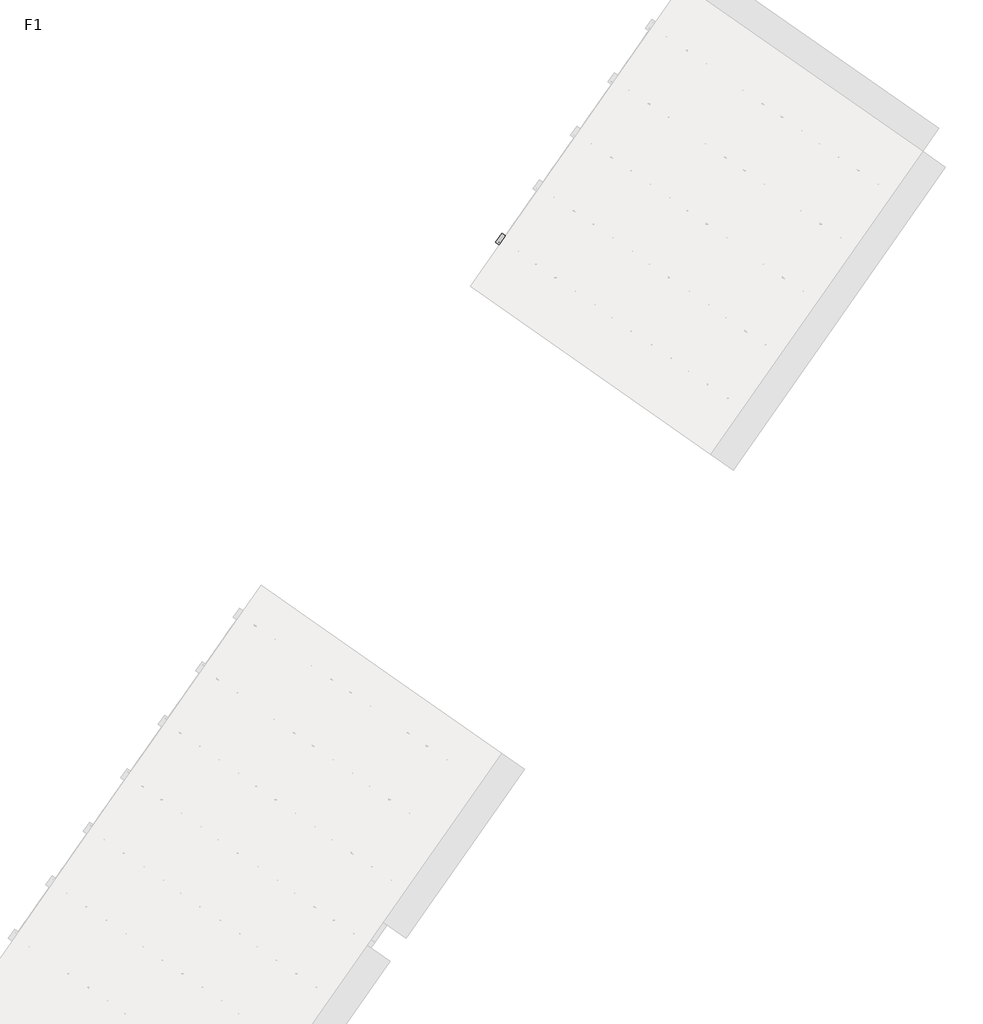
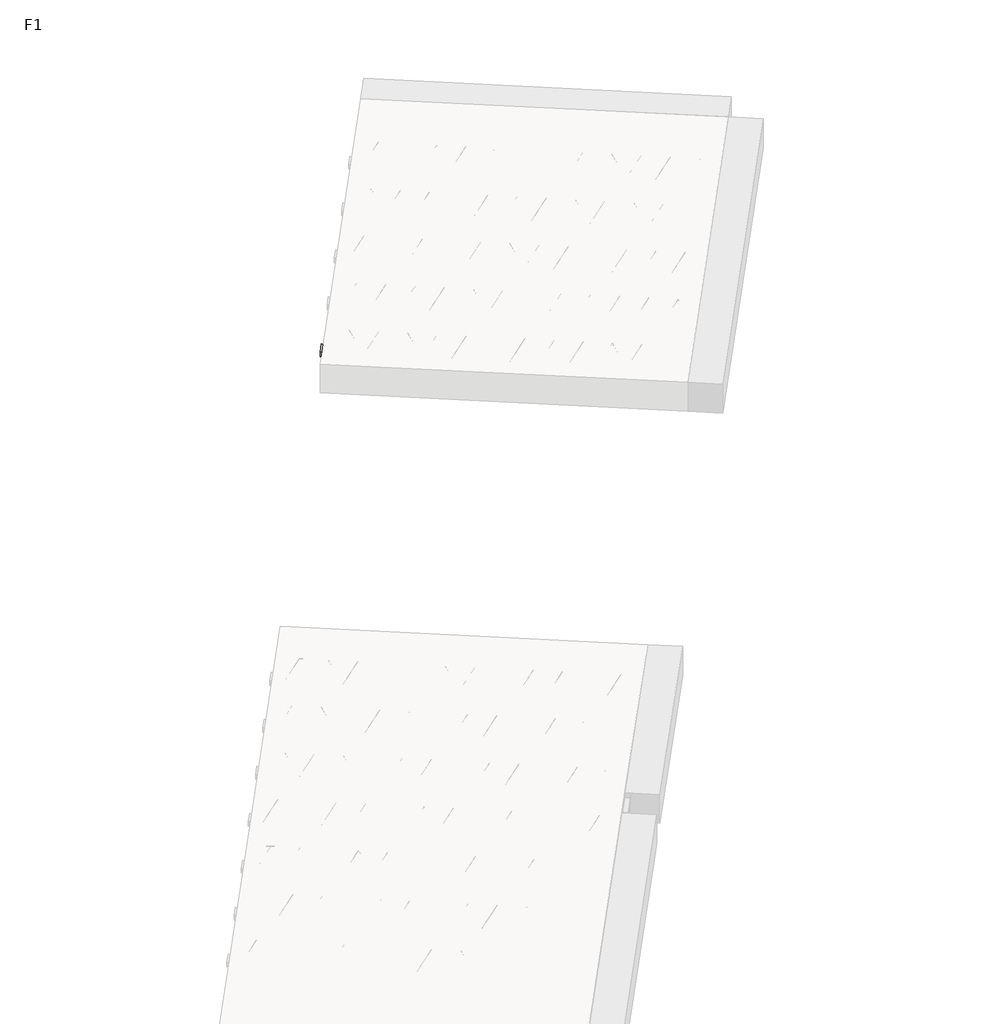
# One storey, part 18 of 30: 2 beams.
"""IFC4 building model written with IfcOpenShell, lengths in millimetres."""

from ifc_helpers import new_model, si_unit, point, frame, origin, origin_2d, place, context, project, spatial, polyline, circle_curve, trimmed, segment, composite_curve, outline, extrude, element, save

model = new_model("IFC4")

# Units and contexts
model_context = context("Model", 3, world=origin())
ifc_project = project(units=[si_unit("LENGTHUNIT", "METRE", prefix="MILLI")], contexts=[model_context])

# Site, building, storey
site = spatial("IfcSite", under=ifc_project)
building = spatial("IfcBuilding", under=site)
storey = spatial("IfcBuildingStorey", under=building, Name="F1", Elevation=99520.0)

# Beams
placement = place(None, origin())
element("IfcBeam", 1, at=placement, inside=storey, context=model_context, shape_type="SweptSolid", body=[
    extrude(outline(polyline([(10443.5572201, 4761.1476965), (10512.3863925, 4859.4459418), (13166.4390159, 3001.058288), (13097.6098435, 2902.7600427), (10443.5572201, 4761.1476965)])), frame((0.0, 0.0, 99720.0), z_axis=(0.0, 0.0, 1.0), x_axis=(1.0, 0.0, 0.0)), (0.0, 0.0, 1.0), 50.0),
])
element("IfcBeam", 2, at=placement, inside=storey, context=model_context, shape_type="SweptSolid", body=[
    extrude(outline(polyline([(7633.0326818, 747.3026796), (7701.8618542, 845.6009249), (10355.9144776, -1012.7867289), (10287.0853053, -1111.0849743), (7633.0326818, 747.3026796)])), frame((0.0, 0.0, 99720.0), z_axis=(0.0, 0.0, 1.0), x_axis=(1.0, 0.0, 0.0)), (0.0, 0.0, 1.0), 50.0),
    extrude(outline(composite_curve([segment(trimmed(circle_curve(origin_2d(), 2.5), [point((-2.5, 0.0))], [point((2.5, 0.0))], False, "CARTESIAN"), True, "CONTINUOUS"), segment(trimmed(circle_curve(origin_2d(), 2.5), [point((2.5, 0.0))], [point((-2.5, 0.0))], False, "CARTESIAN"), True, "CONTINUOUS")], self_intersect=False)), frame((10281.1914907, -1077.6594907, 99745.0), z_axis=(-0.8191520442696126, 0.5735764363787226, 0.0), x_axis=(0.5735764363787226, 0.8191520442696126, 0.0)), (0.0, 0.0, 1.0), 3192.0),
    extrude(outline(composite_curve([segment(trimmed(circle_curve(origin_2d(), 2.5), [point((-2.5, 0.0))], [point((2.5, 0.0))], False, "CARTESIAN"), True, "CONTINUOUS"), segment(trimmed(circle_curve(origin_2d(), 2.5), [point((2.5, 0.0))], [point((-2.5, 0.0))], False, "CARTESIAN"), True, "CONTINUOUS")], self_intersect=False)), frame((10161.7652428, -950.0884465, 99970.0), z_axis=(-0.8191520442696126, 0.5735764363787226, 0.0), x_axis=(0.5735764363787226, 0.8191520442696126, 0.0)), (0.0, 0.0, 1.0), 2850.0),
    extrude(outline(composite_curve([segment(trimmed(circle_curve(origin_2d(), 2.5), [point((-2.5, 0.0))], [point((2.5, 0.0))], False, "CARTESIAN"), True, "CONTINUOUS"), segment(trimmed(circle_curve(origin_2d(), 2.5), [point((2.5, 0.0))], [point((-2.5, 0.0))], False, "CARTESIAN"), True, "CONTINUOUS")], self_intersect=False)), frame((10202.5528944, -1022.5961528, 99745.0), z_axis=(-0.3145304735701046, 0.38933448886848654, 0.8657304643902053), x_axis=(0.7778747638402499, 0.6284193279813057, 0.0)), (0.0, 0.0, 1.0), 259.8961331),
    extrude(outline(composite_curve([segment(trimmed(circle_curve(origin_2d(), 2.5), [point((2.5, -1e-07))], [point((-2.5, 0.0))], False, "CARTESIAN"), True, "CONTINUOUS"), segment(trimmed(circle_curve(origin_2d(), 2.5), [point((-2.5, 0.0))], [point((2.5, -1e-07))], False, "CARTESIAN"), True, "CONTINUOUS")], self_intersect=False)), frame((9997.7648834, -879.2020437, 99745.0), z_axis=(0.47343050384693375, -0.16240172737369005, 0.8657304643902051), x_axis=(-0.3244721671091268, -0.9458952440791246, 0.0)), (0.0, 0.0, 1.0), 259.8961331),
    extrude(outline(composite_curve([segment(trimmed(circle_curve(origin_2d(), 2.5), [point((-2.5, -1e-07))], [point((2.5, 0.0))], False, "CARTESIAN"), True, "CONTINUOUS"), segment(trimmed(circle_curve(origin_2d(), 2.5), [point((2.5, 0.0))], [point((-2.5, -1e-07))], False, "CARTESIAN"), True, "CONTINUOUS")], self_intersect=False)), frame((9997.7648834, -879.2020437, 99745.0), z_axis=(-0.3145304735701046, 0.38933448886848654, 0.8657304643902053), x_axis=(0.7778747638402499, 0.6284193279813057, 0.0)), (0.0, 0.0, 1.0), 259.8961331),
    extrude(outline(composite_curve([segment(trimmed(circle_curve(origin_2d(), 2.5), [point((2.5, 0.0))], [point((-2.5, 0.0))], False, "CARTESIAN"), True, "CONTINUOUS"), segment(trimmed(circle_curve(origin_2d(), 2.5), [point((-2.5, 0.0))], [point((2.5, 0.0))], False, "CARTESIAN"), True, "CONTINUOUS")], self_intersect=False)), frame((9792.9768723, -735.8079346, 99745.0), z_axis=(0.47343050384693375, -0.16240172737369005, 0.8657304643902051), x_axis=(-0.3244721671091268, -0.9458952440791246, 0.0)), (0.0, 0.0, 1.0), 259.8961331),
    extrude(outline(composite_curve([segment(trimmed(circle_curve(origin_2d(), 2.5), [point((-2.5, -1e-07))], [point((2.5, 0.0))], False, "CARTESIAN"), True, "CONTINUOUS"), segment(trimmed(circle_curve(origin_2d(), 2.5), [point((2.5, 0.0))], [point((-2.5, -1e-07))], False, "CARTESIAN"), True, "CONTINUOUS")], self_intersect=False)), frame((9792.9768723, -735.8079346, 99745.0), z_axis=(-0.3145304735701046, 0.38933448886848654, 0.8657304643902053), x_axis=(0.7778747638402499, 0.6284193279813057, 0.0)), (0.0, 0.0, 1.0), 259.8961331),
    extrude(outline(composite_curve([segment(trimmed(circle_curve(origin_2d(), 2.5), [point((2.5000001, 0.0))], [point((-2.5, 0.0))], False, "CARTESIAN"), True, "CONTINUOUS"), segment(trimmed(circle_curve(origin_2d(), 2.5), [point((-2.5, 0.0))], [point((2.5000001, 0.0))], False, "CARTESIAN"), True, "CONTINUOUS")], self_intersect=False)), frame((9588.1888612, -592.4138255, 99745.0), z_axis=(0.47343050384693375, -0.16240172737369005, 0.8657304643902051), x_axis=(-0.3244721671091268, -0.9458952440791246, 0.0)), (0.0, 0.0, 1.0), 259.8961331),
    extrude(outline(composite_curve([segment(trimmed(circle_curve(origin_2d(), 2.5), [point((-2.5, -1e-07))], [point((2.5, 0.0))], False, "CARTESIAN"), True, "CONTINUOUS"), segment(trimmed(circle_curve(origin_2d(), 2.5), [point((2.5, 0.0))], [point((-2.5, -1e-07))], False, "CARTESIAN"), True, "CONTINUOUS")], self_intersect=False)), frame((9588.1888612, -592.4138255, 99745.0), z_axis=(-0.3145304735701046, 0.38933448886848654, 0.8657304643902053), x_axis=(0.7778747638402499, 0.6284193279813057, 0.0)), (0.0, 0.0, 1.0), 259.8961331),
    extrude(outline(composite_curve([segment(trimmed(circle_curve(origin_2d(), 2.5), [point((2.5000001, 0.0))], [point((-2.5, 0.0))], False, "CARTESIAN"), True, "CONTINUOUS"), segment(trimmed(circle_curve(origin_2d(), 2.5), [point((-2.5, 0.0))], [point((2.5000001, 0.0))], False, "CARTESIAN"), True, "CONTINUOUS")], self_intersect=False)), frame((9383.4008502, -449.0197164, 99745.0), z_axis=(0.47343050384693375, -0.16240172737369005, 0.8657304643902051), x_axis=(-0.3244721671091268, -0.9458952440791246, 0.0)), (0.0, 0.0, 1.0), 259.8961331),
    extrude(outline(composite_curve([segment(trimmed(circle_curve(origin_2d(), 2.5), [point((-2.5, -1e-07))], [point((2.5, 0.0))], False, "CARTESIAN"), True, "CONTINUOUS"), segment(trimmed(circle_curve(origin_2d(), 2.5), [point((2.5, 0.0))], [point((-2.5, -1e-07))], False, "CARTESIAN"), True, "CONTINUOUS")], self_intersect=False)), frame((9383.4008502, -449.0197164, 99745.0), z_axis=(-0.3145304735701046, 0.38933448886848654, 0.8657304643902053), x_axis=(0.7778747638402499, 0.6284193279813057, 0.0)), (0.0, 0.0, 1.0), 259.8961331),
    extrude(outline(composite_curve([segment(trimmed(circle_curve(origin_2d(), 2.5), [point((2.5, 0.0))], [point((-2.5000001, 0.0))], False, "CARTESIAN"), True, "CONTINUOUS"), segment(trimmed(circle_curve(origin_2d(), 2.5), [point((-2.5000001, 0.0))], [point((2.5, 0.0))], False, "CARTESIAN"), True, "CONTINUOUS")], self_intersect=False)), frame((9178.6128391, -305.6256074, 99745.0), z_axis=(0.47343050384693375, -0.16240172737369005, 0.8657304643902051), x_axis=(-0.3244721671091268, -0.9458952440791246, 0.0)), (0.0, 0.0, 1.0), 259.8961331),
    extrude(outline(composite_curve([segment(trimmed(circle_curve(origin_2d(), 2.5), [point((-2.5, 0.0))], [point((2.5, 1e-07))], False, "CARTESIAN"), True, "CONTINUOUS"), segment(trimmed(circle_curve(origin_2d(), 2.5), [point((2.5, 1e-07))], [point((-2.5, 0.0))], False, "CARTESIAN"), True, "CONTINUOUS")], self_intersect=False)), frame((9178.6128391, -305.6256074, 99745.0), z_axis=(-0.3145304735701046, 0.38933448886848654, 0.8657304643902053), x_axis=(0.7778747638402499, 0.6284193279813057, 0.0)), (0.0, 0.0, 1.0), 259.8961331),
    extrude(outline(composite_curve([segment(trimmed(circle_curve(origin_2d(), 2.5), [point((2.5, 0.0))], [point((-2.5000001, 0.0))], False, "CARTESIAN"), True, "CONTINUOUS"), segment(trimmed(circle_curve(origin_2d(), 2.5), [point((-2.5000001, 0.0))], [point((2.5, 0.0))], False, "CARTESIAN"), True, "CONTINUOUS")], self_intersect=False)), frame((8973.824828, -162.2314983, 99745.0), z_axis=(0.47343050384693375, -0.16240172737369005, 0.8657304643902051), x_axis=(-0.3244721671091268, -0.9458952440791246, 0.0)), (0.0, 0.0, 1.0), 259.8961331),
    extrude(outline(composite_curve([segment(trimmed(circle_curve(origin_2d(), 2.5), [point((-2.5, 0.0))], [point((2.5, 1e-07))], False, "CARTESIAN"), True, "CONTINUOUS"), segment(trimmed(circle_curve(origin_2d(), 2.5), [point((2.5, 1e-07))], [point((-2.5, 0.0))], False, "CARTESIAN"), True, "CONTINUOUS")], self_intersect=False)), frame((8973.824828, -162.2314983, 99745.0), z_axis=(-0.3145304735701046, 0.38933448886848654, 0.8657304643902053), x_axis=(0.7778747638402499, 0.6284193279813057, 0.0)), (0.0, 0.0, 1.0), 259.8961331),
    extrude(outline(composite_curve([segment(trimmed(circle_curve(origin_2d(), 2.5), [point((2.5, -1e-07))], [point((-2.5, 0.0))], False, "CARTESIAN"), True, "CONTINUOUS"), segment(trimmed(circle_curve(origin_2d(), 2.5), [point((-2.5, 0.0))], [point((2.5, -1e-07))], False, "CARTESIAN"), True, "CONTINUOUS")], self_intersect=False)), frame((8769.036817, -18.8373892, 99745.0), z_axis=(0.47343050384693375, -0.16240172737369005, 0.8657304643902051), x_axis=(-0.3244721671091268, -0.9458952440791246, 0.0)), (0.0, 0.0, 1.0), 259.8961331),
    extrude(outline(composite_curve([segment(trimmed(circle_curve(origin_2d(), 2.5), [point((-2.5, 0.0))], [point((2.5, 1e-07))], False, "CARTESIAN"), True, "CONTINUOUS"), segment(trimmed(circle_curve(origin_2d(), 2.5), [point((2.5, 1e-07))], [point((-2.5, 0.0))], False, "CARTESIAN"), True, "CONTINUOUS")], self_intersect=False)), frame((8769.036817, -18.8373892, 99745.0), z_axis=(-0.3145304735701046, 0.38933448886848654, 0.8657304643902053), x_axis=(0.7778747638402499, 0.6284193279813057, 0.0)), (0.0, 0.0, 1.0), 259.8961331),
    extrude(outline(composite_curve([segment(trimmed(circle_curve(origin_2d(), 2.5), [point((2.5, 0.0))], [point((-2.5, 0.0))], False, "CARTESIAN"), True, "CONTINUOUS"), segment(trimmed(circle_curve(origin_2d(), 2.5), [point((-2.5, 0.0))], [point((2.5, 0.0))], False, "CARTESIAN"), True, "CONTINUOUS")], self_intersect=False)), frame((8564.2488059, 124.5567199, 99745.0), z_axis=(0.47343050384693375, -0.16240172737369005, 0.8657304643902051), x_axis=(-0.3244721671091268, -0.9458952440791246, 0.0)), (0.0, 0.0, 1.0), 259.8961331),
    extrude(outline(composite_curve([segment(trimmed(circle_curve(origin_2d(), 2.5), [point((-2.5, 0.0))], [point((2.5, 1e-07))], False, "CARTESIAN"), True, "CONTINUOUS"), segment(trimmed(circle_curve(origin_2d(), 2.5), [point((2.5, 1e-07))], [point((-2.5, 0.0))], False, "CARTESIAN"), True, "CONTINUOUS")], self_intersect=False)), frame((8564.2488059, 124.5567199, 99745.0), z_axis=(-0.3145304735701046, 0.38933448886848654, 0.8657304643902053), x_axis=(0.7778747638402499, 0.6284193279813057, 0.0)), (0.0, 0.0, 1.0), 259.8961331),
    extrude(outline(composite_curve([segment(trimmed(circle_curve(origin_2d(), 2.5), [point((2.5, 0.0))], [point((-2.5, 0.0))], False, "CARTESIAN"), True, "CONTINUOUS"), segment(trimmed(circle_curve(origin_2d(), 2.5), [point((-2.5, 0.0))], [point((2.5, 0.0))], False, "CARTESIAN"), True, "CONTINUOUS")], self_intersect=False)), frame((8359.4607948, 267.950829, 99745.0), z_axis=(0.47343050384693375, -0.16240172737369005, 0.8657304643902051), x_axis=(-0.3244721671091268, -0.9458952440791246, 0.0)), (0.0, 0.0, 1.0), 259.8961331),
    extrude(outline(composite_curve([segment(trimmed(circle_curve(origin_2d(), 2.5), [point((-2.5, 0.0))], [point((2.5, 0.0))], False, "CARTESIAN"), True, "CONTINUOUS"), segment(trimmed(circle_curve(origin_2d(), 2.5), [point((2.5, 0.0))], [point((-2.5, 0.0))], False, "CARTESIAN"), True, "CONTINUOUS")], self_intersect=False)), frame((8359.4607948, 267.950829, 99745.0), z_axis=(-0.3145304735701046, 0.38933448886848654, 0.8657304643902053), x_axis=(0.7778747638402499, 0.6284193279813057, 0.0)), (0.0, 0.0, 1.0), 259.8961331),
    extrude(outline(composite_curve([segment(trimmed(circle_curve(origin_2d(), 2.5), [point((2.5, -1e-07))], [point((-2.5, 0.0))], False, "CARTESIAN"), True, "CONTINUOUS"), segment(trimmed(circle_curve(origin_2d(), 2.5), [point((-2.5, 0.0))], [point((2.5, -1e-07))], False, "CARTESIAN"), True, "CONTINUOUS")], self_intersect=False)), frame((8154.6727838, 411.3449381, 99745.0), z_axis=(0.47343050384693375, -0.16240172737369005, 0.8657304643902051), x_axis=(-0.3244721671091268, -0.9458952440791246, 0.0)), (0.0, 0.0, 1.0), 259.8961331),
    extrude(outline(composite_curve([segment(trimmed(circle_curve(origin_2d(), 2.5), [point((-2.5000001, 1e-07))], [point((2.5, 0.0))], False, "CARTESIAN"), True, "CONTINUOUS"), segment(trimmed(circle_curve(origin_2d(), 2.5), [point((2.5, 0.0))], [point((-2.5000001, 1e-07))], False, "CARTESIAN"), True, "CONTINUOUS")], self_intersect=False)), frame((8154.6727838, 411.3449381, 99745.0), z_axis=(-0.3145304735701046, 0.38933448886848654, 0.8657304643902053), x_axis=(0.7778747638402499, 0.6284193279813057, 0.0)), (0.0, 0.0, 1.0), 259.8961331),
    extrude(outline(composite_curve([segment(trimmed(circle_curve(origin_2d(), 2.5), [point((2.5, 0.0))], [point((-2.5, 0.0))], False, "CARTESIAN"), True, "CONTINUOUS"), segment(trimmed(circle_curve(origin_2d(), 2.5), [point((-2.5, 0.0))], [point((2.5, 0.0))], False, "CARTESIAN"), True, "CONTINUOUS")], self_intersect=False)), frame((7949.8847727, 554.7390472, 99745.0), z_axis=(0.47343050384693375, -0.16240172737369005, 0.8657304643902051), x_axis=(-0.3244721671091268, -0.9458952440791246, 0.0)), (0.0, 0.0, 1.0), 259.8961331),
    extrude(outline(composite_curve([segment(trimmed(circle_curve(origin_2d(), 2.5), [point((-2.5, 0.0))], [point((2.5, 0.0))], False, "CARTESIAN"), True, "CONTINUOUS"), segment(trimmed(circle_curve(origin_2d(), 2.5), [point((2.5, 0.0))], [point((-2.5, 0.0))], False, "CARTESIAN"), True, "CONTINUOUS")], self_intersect=False)), frame((7949.8847727, 554.7390472, 99745.0), z_axis=(-0.3145304735701046, 0.38933448886848654, 0.8657304643902053), x_axis=(0.7778747638402499, 0.6284193279813057, 0.0)), (0.0, 0.0, 1.0), 259.8961331),
    extrude(outline(composite_curve([segment(trimmed(circle_curve(origin_2d(), 2.5), [point((2.5, 0.0))], [point((-2.5, 0.0))], False, "CARTESIAN"), True, "CONTINUOUS"), segment(trimmed(circle_curve(origin_2d(), 2.5), [point((-2.5, 0.0))], [point((2.5, 0.0))], False, "CARTESIAN"), True, "CONTINUOUS")], self_intersect=False)), frame((7745.0967616, 698.1331563, 99745.0), z_axis=(0.47343050384693375, -0.16240172737369005, 0.8657304643902051), x_axis=(-0.3244721671091268, -0.9458952440791246, 0.0)), (0.0, 0.0, 1.0), 259.8961331),
    extrude(outline(composite_curve([segment(trimmed(circle_curve(origin_2d(), 2.5), [point((-2.5, 0.0))], [point((2.5, 0.0))], False, "CARTESIAN"), True, "CONTINUOUS"), segment(trimmed(circle_curve(origin_2d(), 2.5), [point((2.5, 0.0))], [point((-2.5, 0.0))], False, "CARTESIAN"), True, "CONTINUOUS")], self_intersect=False)), frame((10322.4889941, -1018.6805435, 99745.0), z_axis=(-0.8191520442696126, 0.5735764363787226, 0.0), x_axis=(0.5735764363787226, 0.8191520442696126, 0.0)), (0.0, 0.0, 1.0), 3192.0),
    extrude(outline(composite_curve([segment(trimmed(circle_curve(origin_2d(), 2.5), [point((-2.5000001, 0.0))], [point((2.5, 0.0))], False, "CARTESIAN"), True, "CONTINUOUS"), segment(trimmed(circle_curve(origin_2d(), 2.5), [point((2.5, 0.0))], [point((-2.5000001, 0.0))], False, "CARTESIAN"), True, "CONTINUOUS")], self_intersect=False)), frame((10243.8503979, -963.6172056, 99745.0), z_axis=(-0.47343050384693375, 0.16240172737369005, 0.8657304643902051), x_axis=(0.3244721671091268, 0.9458952440791246, 0.0)), (0.0, 0.0, 1.0), 259.8961331),
    extrude(outline(composite_curve([segment(trimmed(circle_curve(origin_2d(), 2.5), [point((2.5, 1e-07))], [point((-2.5, 0.0))], False, "CARTESIAN"), True, "CONTINUOUS"), segment(trimmed(circle_curve(origin_2d(), 2.5), [point((-2.5, 0.0))], [point((2.5, 1e-07))], False, "CARTESIAN"), True, "CONTINUOUS")], self_intersect=False)), frame((10039.0623868, -820.2230965, 99745.0), z_axis=(0.3145304735701046, -0.38933448886848654, 0.8657304643902053), x_axis=(-0.7778747638402499, -0.6284193279813057, 0.0)), (0.0, 0.0, 1.0), 259.8961331),
    extrude(outline(composite_curve([segment(trimmed(circle_curve(origin_2d(), 2.5), [point((-2.5000001, 0.0))], [point((2.5, 0.0))], False, "CARTESIAN"), True, "CONTINUOUS"), segment(trimmed(circle_curve(origin_2d(), 2.5), [point((2.5, 0.0))], [point((-2.5000001, 0.0))], False, "CARTESIAN"), True, "CONTINUOUS")], self_intersect=False)), frame((10039.0623868, -820.2230965, 99745.0), z_axis=(-0.47343050384693375, 0.16240172737369005, 0.8657304643902051), x_axis=(0.3244721671091268, 0.9458952440791246, 0.0)), (0.0, 0.0, 1.0), 259.8961331),
    extrude(outline(composite_curve([segment(trimmed(circle_curve(origin_2d(), 2.5), [point((2.5, 0.0))], [point((-2.5, -1e-07))], False, "CARTESIAN"), True, "CONTINUOUS"), segment(trimmed(circle_curve(origin_2d(), 2.5), [point((-2.5, -1e-07))], [point((2.5, 0.0))], False, "CARTESIAN"), True, "CONTINUOUS")], self_intersect=False)), frame((9834.2743757, -676.8289875, 99745.0), z_axis=(0.3145304735701046, -0.38933448886848654, 0.8657304643902053), x_axis=(-0.7778747638402499, -0.6284193279813057, 0.0)), (0.0, 0.0, 1.0), 259.8961331),
    extrude(outline(composite_curve([segment(trimmed(circle_curve(origin_2d(), 2.5), [point((-2.5, 0.0))], [point((2.5000001, 0.0))], False, "CARTESIAN"), True, "CONTINUOUS"), segment(trimmed(circle_curve(origin_2d(), 2.5), [point((2.5000001, 0.0))], [point((-2.5, 0.0))], False, "CARTESIAN"), True, "CONTINUOUS")], self_intersect=False)), frame((9834.2743757, -676.8289875, 99745.0), z_axis=(-0.47343050384693375, 0.16240172737369005, 0.8657304643902051), x_axis=(0.3244721671091268, 0.9458952440791246, 0.0)), (0.0, 0.0, 1.0), 259.8961331),
    extrude(outline(composite_curve([segment(trimmed(circle_curve(origin_2d(), 2.5), [point((2.5, 0.0))], [point((-2.5000001, 0.0))], False, "CARTESIAN"), True, "CONTINUOUS"), segment(trimmed(circle_curve(origin_2d(), 2.5), [point((-2.5000001, 0.0))], [point((2.5, 0.0))], False, "CARTESIAN"), True, "CONTINUOUS")], self_intersect=False)), frame((9629.4863646, -533.4348784, 99745.0), z_axis=(0.3145304735701046, -0.38933448886848654, 0.8657304643902053), x_axis=(-0.7778747638402499, -0.6284193279813057, 0.0)), (0.0, 0.0, 1.0), 259.8961331),
    extrude(outline(composite_curve([segment(trimmed(circle_curve(origin_2d(), 2.5), [point((-2.5, 0.0))], [point((2.5000001, 0.0))], False, "CARTESIAN"), True, "CONTINUOUS"), segment(trimmed(circle_curve(origin_2d(), 2.5), [point((2.5000001, 0.0))], [point((-2.5, 0.0))], False, "CARTESIAN"), True, "CONTINUOUS")], self_intersect=False)), frame((9629.4863646, -533.4348784, 99745.0), z_axis=(-0.47343050384693375, 0.16240172737369005, 0.8657304643902051), x_axis=(0.3244721671091268, 0.9458952440791246, 0.0)), (0.0, 0.0, 1.0), 259.8961331),
    extrude(outline(composite_curve([segment(trimmed(circle_curve(origin_2d(), 2.5), [point((2.5, 0.0))], [point((-2.5, -1e-07))], False, "CARTESIAN"), True, "CONTINUOUS"), segment(trimmed(circle_curve(origin_2d(), 2.5), [point((-2.5, -1e-07))], [point((2.5, 0.0))], False, "CARTESIAN"), True, "CONTINUOUS")], self_intersect=False)), frame((9424.6983536, -390.0407693, 99745.0), z_axis=(0.3145304735701046, -0.38933448886848654, 0.8657304643902053), x_axis=(-0.7778747638402499, -0.6284193279813057, 0.0)), (0.0, 0.0, 1.0), 259.8961331),
    extrude(outline(composite_curve([segment(trimmed(circle_curve(origin_2d(), 2.5), [point((-2.5, 0.0))], [point((2.5, 0.0))], False, "CARTESIAN"), True, "CONTINUOUS"), segment(trimmed(circle_curve(origin_2d(), 2.5), [point((2.5, 0.0))], [point((-2.5, 0.0))], False, "CARTESIAN"), True, "CONTINUOUS")], self_intersect=False)), frame((9424.6983536, -390.0407693, 99745.0), z_axis=(-0.47343050384693375, 0.16240172737369005, 0.8657304643902051), x_axis=(0.3244721671091268, 0.9458952440791246, 0.0)), (0.0, 0.0, 1.0), 259.8961331),
    extrude(outline(composite_curve([segment(trimmed(circle_curve(origin_2d(), 2.5), [point((2.5, 0.0))], [point((-2.5, -1e-07))], False, "CARTESIAN"), True, "CONTINUOUS"), segment(trimmed(circle_curve(origin_2d(), 2.5), [point((-2.5, -1e-07))], [point((2.5, 0.0))], False, "CARTESIAN"), True, "CONTINUOUS")], self_intersect=False)), frame((9219.9103425, -246.6466602, 99745.0), z_axis=(0.3145304735701046, -0.38933448886848654, 0.8657304643902053), x_axis=(-0.7778747638402499, -0.6284193279813057, 0.0)), (0.0, 0.0, 1.0), 259.8961331),
    extrude(outline(composite_curve([segment(trimmed(circle_curve(origin_2d(), 2.5), [point((-2.5, 0.0))], [point((2.5, 0.0))], False, "CARTESIAN"), True, "CONTINUOUS"), segment(trimmed(circle_curve(origin_2d(), 2.5), [point((2.5, 0.0))], [point((-2.5, 0.0))], False, "CARTESIAN"), True, "CONTINUOUS")], self_intersect=False)), frame((9219.9103425, -246.6466602, 99745.0), z_axis=(-0.47343050384693375, 0.16240172737369005, 0.8657304643902051), x_axis=(0.3244721671091268, 0.9458952440791246, 0.0)), (0.0, 0.0, 1.0), 259.8961331),
    extrude(outline(composite_curve([segment(trimmed(circle_curve(origin_2d(), 2.5), [point((2.5, 0.0))], [point((-2.5000001, 1e-07))], False, "CARTESIAN"), True, "CONTINUOUS"), segment(trimmed(circle_curve(origin_2d(), 2.5), [point((-2.5000001, 1e-07))], [point((2.5, 0.0))], False, "CARTESIAN"), True, "CONTINUOUS")], self_intersect=False)), frame((9015.1223314, -103.2525511, 99745.0), z_axis=(0.3145304735701046, -0.38933448886848654, 0.8657304643902053), x_axis=(-0.7778747638402499, -0.6284193279813057, 0.0)), (0.0, 0.0, 1.0), 259.8961331),
    extrude(outline(composite_curve([segment(trimmed(circle_curve(origin_2d(), 2.5), [point((-2.5, 0.0))], [point((2.5, -1e-07))], False, "CARTESIAN"), True, "CONTINUOUS"), segment(trimmed(circle_curve(origin_2d(), 2.5), [point((2.5, -1e-07))], [point((-2.5, 0.0))], False, "CARTESIAN"), True, "CONTINUOUS")], self_intersect=False)), frame((9015.1223314, -103.2525511, 99745.0), z_axis=(-0.47343050384693375, 0.16240172737369005, 0.8657304643902051), x_axis=(0.3244721671091268, 0.9458952440791246, 0.0)), (0.0, 0.0, 1.0), 259.8961331),
    extrude(outline(composite_curve([segment(trimmed(circle_curve(origin_2d(), 2.5), [point((2.5, 0.0))], [point((-2.5, 0.0))], False, "CARTESIAN"), True, "CONTINUOUS"), segment(trimmed(circle_curve(origin_2d(), 2.5), [point((-2.5, 0.0))], [point((2.5, 0.0))], False, "CARTESIAN"), True, "CONTINUOUS")], self_intersect=False)), frame((8810.3343204, 40.141558, 99745.0), z_axis=(0.3145304735701046, -0.38933448886848654, 0.8657304643902053), x_axis=(-0.7778747638402499, -0.6284193279813057, 0.0)), (0.0, 0.0, 1.0), 259.8961331),
    extrude(outline(composite_curve([segment(trimmed(circle_curve(origin_2d(), 2.5), [point((-2.5, 0.0))], [point((2.5, 0.0))], False, "CARTESIAN"), True, "CONTINUOUS"), segment(trimmed(circle_curve(origin_2d(), 2.5), [point((2.5, 0.0))], [point((-2.5, 0.0))], False, "CARTESIAN"), True, "CONTINUOUS")], self_intersect=False)), frame((8810.3343204, 40.141558, 99745.0), z_axis=(-0.47343050384693375, 0.16240172737369005, 0.8657304643902051), x_axis=(0.3244721671091268, 0.9458952440791246, 0.0)), (0.0, 0.0, 1.0), 259.8961331),
    extrude(outline(composite_curve([segment(trimmed(circle_curve(origin_2d(), 2.5), [point((2.5, 0.0))], [point((-2.5, 0.0))], False, "CARTESIAN"), True, "CONTINUOUS"), segment(trimmed(circle_curve(origin_2d(), 2.5), [point((-2.5, 0.0))], [point((2.5, 0.0))], False, "CARTESIAN"), True, "CONTINUOUS")], self_intersect=False)), frame((8605.5463093, 183.5356671, 99745.0), z_axis=(0.3145304735701046, -0.38933448886848654, 0.8657304643902053), x_axis=(-0.7778747638402499, -0.6284193279813057, 0.0)), (0.0, 0.0, 1.0), 259.8961331),
    extrude(outline(composite_curve([segment(trimmed(circle_curve(origin_2d(), 2.5), [point((-2.5, 0.0))], [point((2.5, 0.0))], False, "CARTESIAN"), True, "CONTINUOUS"), segment(trimmed(circle_curve(origin_2d(), 2.5), [point((2.5, 0.0))], [point((-2.5, 0.0))], False, "CARTESIAN"), True, "CONTINUOUS")], self_intersect=False)), frame((8605.5463093, 183.5356671, 99745.0), z_axis=(-0.47343050384693375, 0.16240172737369005, 0.8657304643902051), x_axis=(0.3244721671091268, 0.9458952440791246, 0.0)), (0.0, 0.0, 1.0), 259.8961331),
    extrude(outline(composite_curve([segment(trimmed(circle_curve(origin_2d(), 2.5), [point((2.5, 0.0))], [point((-2.5000001, 1e-07))], False, "CARTESIAN"), True, "CONTINUOUS"), segment(trimmed(circle_curve(origin_2d(), 2.5), [point((-2.5000001, 1e-07))], [point((2.5, 0.0))], False, "CARTESIAN"), True, "CONTINUOUS")], self_intersect=False)), frame((8400.7582982, 326.9297762, 99745.0), z_axis=(0.3145304735701046, -0.38933448886848654, 0.8657304643902053), x_axis=(-0.7778747638402499, -0.6284193279813057, 0.0)), (0.0, 0.0, 1.0), 259.8961331),
    extrude(outline(composite_curve([segment(trimmed(circle_curve(origin_2d(), 2.5), [point((-2.5, 0.0))], [point((2.5, -1e-07))], False, "CARTESIAN"), True, "CONTINUOUS"), segment(trimmed(circle_curve(origin_2d(), 2.5), [point((2.5, -1e-07))], [point((-2.5, 0.0))], False, "CARTESIAN"), True, "CONTINUOUS")], self_intersect=False)), frame((8400.7582982, 326.9297762, 99745.0), z_axis=(-0.47343050384693375, 0.16240172737369005, 0.8657304643902051), x_axis=(0.3244721671091268, 0.9458952440791246, 0.0)), (0.0, 0.0, 1.0), 259.8961331),
    extrude(outline(composite_curve([segment(trimmed(circle_curve(origin_2d(), 2.5), [point((2.5, 0.0))], [point((-2.5, 0.0))], False, "CARTESIAN"), True, "CONTINUOUS"), segment(trimmed(circle_curve(origin_2d(), 2.5), [point((-2.5, 0.0))], [point((2.5, 0.0))], False, "CARTESIAN"), True, "CONTINUOUS")], self_intersect=False)), frame((8195.9702872, 470.3238853, 99745.0), z_axis=(0.3145304735701046, -0.38933448886848654, 0.8657304643902053), x_axis=(-0.7778747638402499, -0.6284193279813057, 0.0)), (0.0, 0.0, 1.0), 259.8961331),
    extrude(outline(composite_curve([segment(trimmed(circle_curve(origin_2d(), 2.5), [point((-2.5, 0.0))], [point((2.5, 0.0))], False, "CARTESIAN"), True, "CONTINUOUS"), segment(trimmed(circle_curve(origin_2d(), 2.5), [point((2.5, 0.0))], [point((-2.5, 0.0))], False, "CARTESIAN"), True, "CONTINUOUS")], self_intersect=False)), frame((8195.9702872, 470.3238853, 99745.0), z_axis=(-0.47343050384693375, 0.16240172737369005, 0.8657304643902051), x_axis=(0.3244721671091268, 0.9458952440791246, 0.0)), (0.0, 0.0, 1.0), 259.8961331),
    extrude(outline(composite_curve([segment(trimmed(circle_curve(origin_2d(), 2.5), [point((2.5, 0.0))], [point((-2.5, 0.0))], False, "CARTESIAN"), True, "CONTINUOUS"), segment(trimmed(circle_curve(origin_2d(), 2.5), [point((-2.5, 0.0))], [point((2.5, 0.0))], False, "CARTESIAN"), True, "CONTINUOUS")], self_intersect=False)), frame((7991.1822761, 613.7179944, 99745.0), z_axis=(0.3145304735701046, -0.38933448886848654, 0.8657304643902053), x_axis=(-0.7778747638402499, -0.6284193279813057, 0.0)), (0.0, 0.0, 1.0), 259.8961331),
    extrude(outline(composite_curve([segment(trimmed(circle_curve(origin_2d(), 2.5), [point((-2.5, 0.0))], [point((2.5, 0.0))], False, "CARTESIAN"), True, "CONTINUOUS"), segment(trimmed(circle_curve(origin_2d(), 2.5), [point((2.5, 0.0))], [point((-2.5, 0.0))], False, "CARTESIAN"), True, "CONTINUOUS")], self_intersect=False)), frame((7991.1822761, 613.7179944, 99745.0), z_axis=(-0.47343050384693375, 0.16240172737369005, 0.8657304643902051), x_axis=(0.3244721671091268, 0.9458952440791246, 0.0)), (0.0, 0.0, 1.0), 259.8961331),
    extrude(outline(composite_curve([segment(trimmed(circle_curve(origin_2d(), 2.5), [point((2.5, 0.0))], [point((-2.5000001, 1e-07))], False, "CARTESIAN"), True, "CONTINUOUS"), segment(trimmed(circle_curve(origin_2d(), 2.5), [point((-2.5000001, 1e-07))], [point((2.5, 0.0))], False, "CARTESIAN"), True, "CONTINUOUS")], self_intersect=False)), frame((7786.394265, 757.1121035, 99745.0), z_axis=(0.3145304735701046, -0.38933448886848654, 0.8657304643902053), x_axis=(-0.7778747638402499, -0.6284193279813057, 0.0)), (0.0, 0.0, 1.0), 259.8961331),
])

save(model, "model.ifc")
